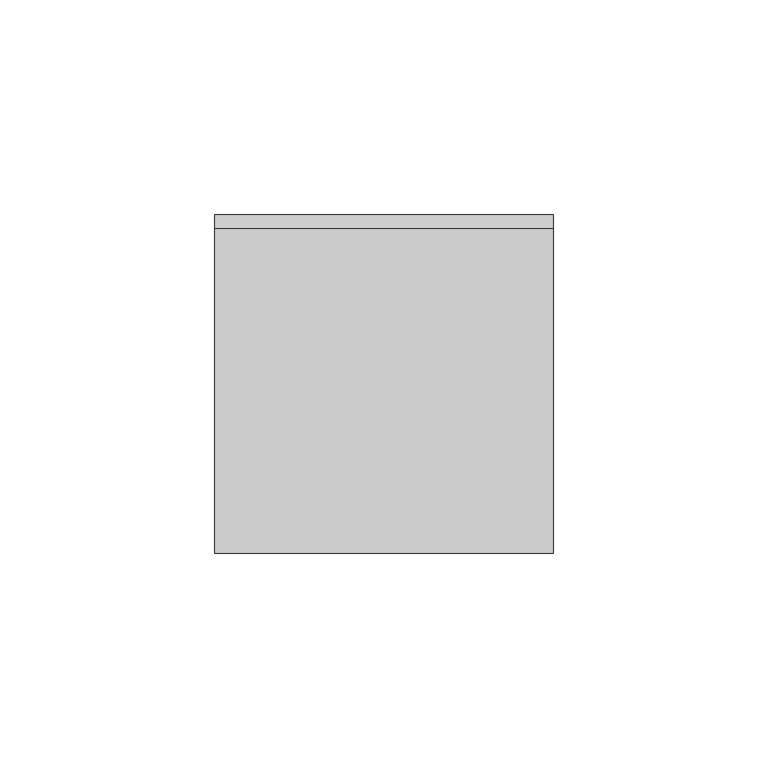
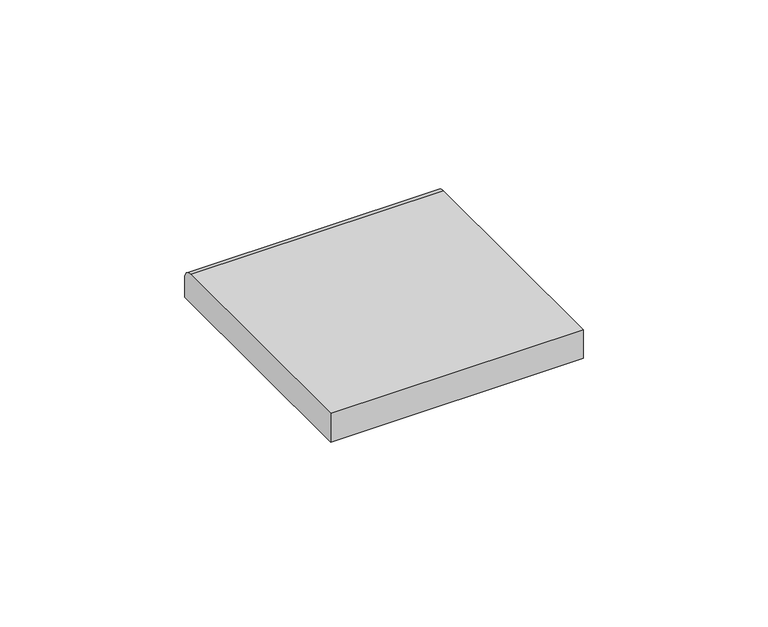
"""IFC4 building model written with IfcOpenShell, lengths in millimetres: furniture geometry."""

from ifc_helpers import new_model, si_unit, point, frame, frame_2d, origin, place, context, project, spatial, polyline, circle_curve, trimmed, segment, composite_curve, outline, extrude, source, transform, mapped, element, save


def furniture_60a994d9(model_context):
    return source(origin(), model_context, "Body", "SweptSolid", [
        extrude(outline(composite_curve([segment(polyline([(-39.4890625, 1709.1421875), (-39.4890625, 1718.6671875), (36.3140633, 1718.6671875)]), True, "CONTINUOUS"), segment(trimmed(circle_curve(frame_2d((36.3140633, 1715.4921883)), 3.1749992), [point((36.3140633, 1718.6671875))], [point((39.4890625, 1715.4921883))], False, "CARTESIAN"), True, "CONTINUOUS"), segment(polyline([(39.4890625, 1715.4921883), (39.4890625, 1709.1421875), (-39.4890625, 1709.1421875)]), True, "CONTINUOUS")], self_intersect=False)), frame((-39.4890625, 0.0, 0.0), z_axis=(1.0, 0.0, 0.0), x_axis=(0.0, 1.0, 0.0)), (0.0, 0.0, 1.0), 78.978125),
    ])


if __name__ == "__main__":
    model = new_model("IFC4")
    model_context = context("Model", 3, world=origin())
    ifc_project = project(units=[si_unit("LENGTHUNIT", "METRE", prefix="MILLI")], contexts=[model_context])
    site = spatial("IfcSite", under=ifc_project)
    building = spatial("IfcBuilding", under=site)
    placement = place(None, origin())
    furniture_shape = furniture_60a994d9(model_context)
    element("IfcFurniture", 1, at=placement, inside=building, context=model_context, shape_type="MappedRepresentation", body=[
        mapped(furniture_shape, transform((0.0, 0.0, 0.0), x_axis=(1.0, 0.0, 0.0), y_axis=(0.0, 1.0, 0.0), z_axis=(0.0, 0.0, 1.0))),
    ])
    save(model, "model.ifc")
